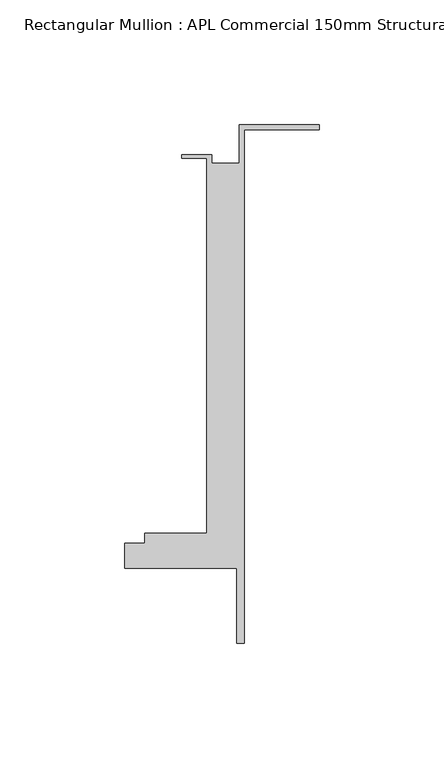
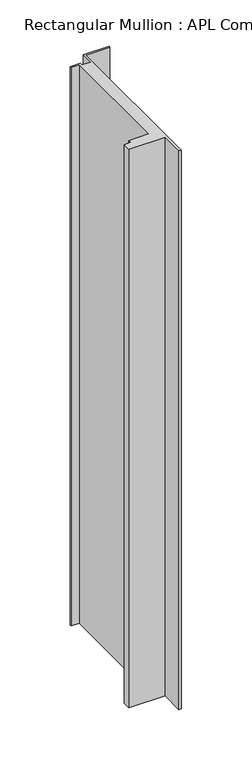
"""IFC4 building model written with IfcOpenShell, lengths in millimetres: member geometry, Rectangular Mullion : APL Commercial 150mm Structural Glaze SubSill."""

from ifc_helpers import new_model, si_unit, frame, origin, place, context, project, spatial, polyline, outline, extrude, source, transform, mapped, element, save


def rectangular_mullion_apl_commercial_150mm_structural_glaze_7dfd6ea8(model_context):
    return source(origin(), model_context, "Body", "SweptSolid", [
        extrude(outline(polyline([(-32.0, 41.25), (0.0, 41.25), (0.0, 39.25), (-30.0, 39.25), (-30.0, -166.75), (-33.0000284, -166.75), (-33.0000284, -136.75), (-78.0000284, -136.75), (-78.0000284, -126.75), (-70.0000284, -126.75), (-70.0000284, -122.75), (-45.0, -122.75), (-45.0, 27.75), (-55.0, 27.75), (-55.0, 29.25), (-43.0, 29.25), (-43.0, 25.75), (-32.0, 25.75), (-32.0, 41.25)])), frame((0.0, 0.0, -735.4300071), z_axis=(0.0, 0.0, 1.0), x_axis=(1.0, 0.0, 0.0)), (0.0, 0.0, 1.0), 735.4300071),
    ])


if __name__ == "__main__":
    model = new_model("IFC4")
    model_context = context("Model", 3, world=origin())
    ifc_project = project(units=[si_unit("LENGTHUNIT", "METRE", prefix="MILLI")], contexts=[model_context])
    site = spatial("IfcSite", under=ifc_project)
    building = spatial("IfcBuilding", under=site)
    placement = place(None, origin())
    rectangular_mullion_apl_commercial_150mm_structural_glaze_shape = rectangular_mullion_apl_commercial_150mm_structural_glaze_7dfd6ea8(model_context)
    element("IfcMember", 1, ObjectType="Rectangular Mullion : APL Commercial 150mm Structural Glaze SubSill", at=placement, inside=building, context=model_context, shape_type="MappedRepresentation", body=[
        mapped(rectangular_mullion_apl_commercial_150mm_structural_glaze_shape, transform((0.0, 0.0, 0.0), x_axis=(1.0, 0.0, 0.0), y_axis=(0.0, 1.0, 0.0), z_axis=(0.0, 0.0, 1.0))),
    ])
    save(model, "model.ifc")
